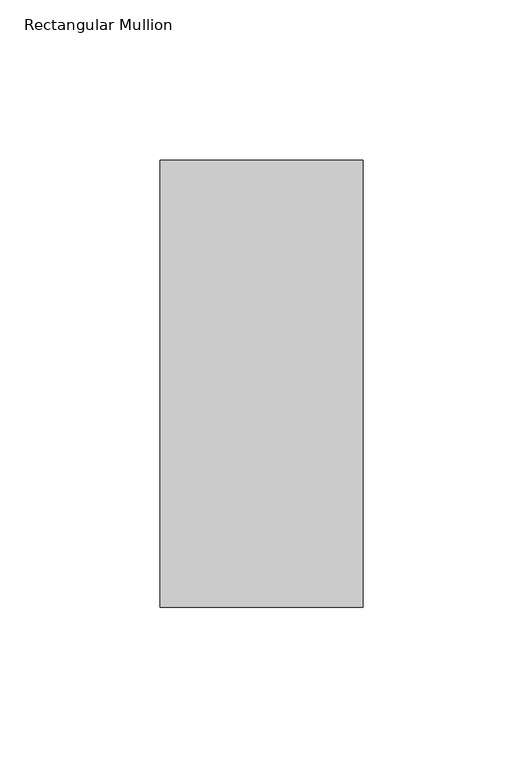
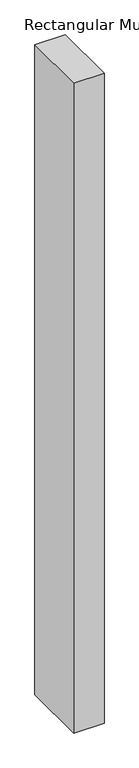
"""IFC4 building model written with IfcOpenShell, lengths in millimetres: member geometry, Rectangular Mullion."""

from ifc_helpers import new_model, si_unit, frame, origin, place, context, project, spatial, polyline, outline, extrude, source, transform, mapped, element, save


def rectangular_mullion_4bf87744(model_context):
    return source(origin(), model_context, "Body", "SweptSolid", [
        extrude(outline(polyline([(31.75, -152.4), (-31.75, -152.4), (-31.75, -12.7), (31.75, -12.7), (31.75, -152.4)])), frame((0.0, 0.0, -1431.925), z_axis=(0.0, 0.0, 1.0), x_axis=(1.0, 0.0, 0.0)), (0.0, 0.0, 1.0), 1431.925),
    ])


if __name__ == "__main__":
    model = new_model("IFC4")
    model_context = context("Model", 3, world=origin())
    ifc_project = project(units=[si_unit("LENGTHUNIT", "METRE", prefix="MILLI")], contexts=[model_context])
    site = spatial("IfcSite", under=ifc_project)
    building = spatial("IfcBuilding", under=site)
    placement = place(None, origin())
    rectangular_mullion_shape = rectangular_mullion_4bf87744(model_context)
    element("IfcMember", 1, ObjectType="Rectangular Mullion", at=placement, inside=building, context=model_context, shape_type="MappedRepresentation", body=[
        mapped(rectangular_mullion_shape, transform((0.0, 0.0, 0.0), x_axis=(1.0, 0.0, 0.0), y_axis=(0.0, 1.0, 0.0), z_axis=(0.0, 0.0, 1.0))),
    ])
    save(model, "model.ifc")
